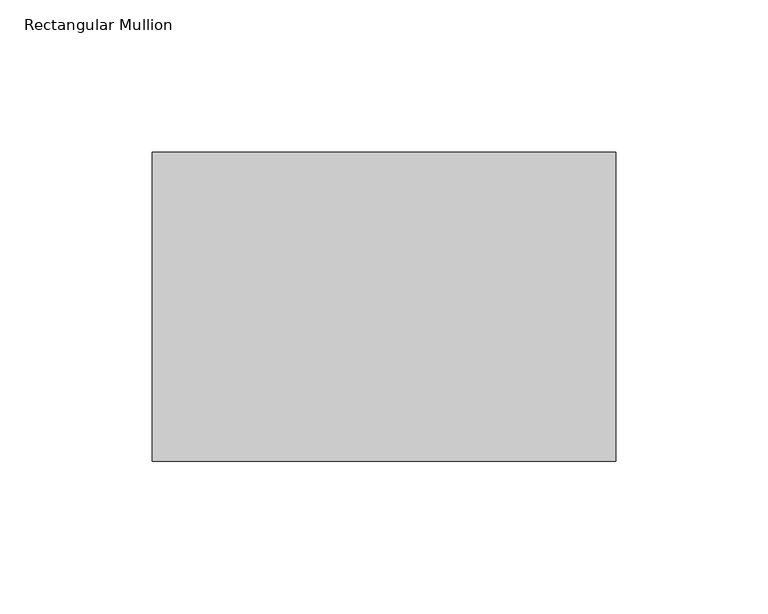
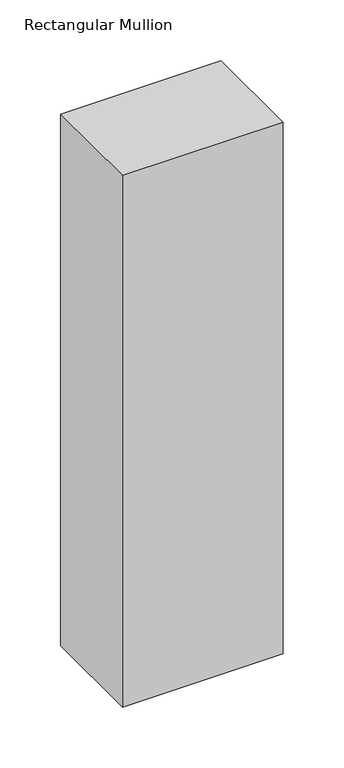
"""IFC4 building model written with IfcOpenShell, lengths in millimetres: member geometry, Rectangular Mullion."""

from ifc_helpers import new_model, si_unit, frame, origin, place, context, project, spatial, polyline, outline, extrude, source, transform, mapped, element, save


def rectangular_mullion_78aceb90(model_context):
    return source(origin(), model_context, "Body", "SweptSolid", [
        extrude(outline(polyline([(0.0, 82.55), (0.0, -19.05), (-152.4, -19.05), (-152.4, 82.55), (0.0, 82.55)])), frame((0.0, 0.0, -533.4), z_axis=(0.0, 0.0, 1.0), x_axis=(1.0, 0.0, 0.0)), (0.0, 0.0, 1.0), 533.4),
    ])


if __name__ == "__main__":
    model = new_model("IFC4")
    model_context = context("Model", 3, world=origin())
    ifc_project = project(units=[si_unit("LENGTHUNIT", "METRE", prefix="MILLI")], contexts=[model_context])
    site = spatial("IfcSite", under=ifc_project)
    building = spatial("IfcBuilding", under=site)
    placement = place(None, origin())
    rectangular_mullion_shape = rectangular_mullion_78aceb90(model_context)
    element("IfcMember", 1, ObjectType="Rectangular Mullion", at=placement, inside=building, context=model_context, shape_type="MappedRepresentation", body=[
        mapped(rectangular_mullion_shape, transform((0.0, 0.0, 0.0), x_axis=(1.0, 0.0, 0.0), y_axis=(0.0, 1.0, 0.0), z_axis=(0.0, 0.0, 1.0))),
    ])
    save(model, "model.ifc")
